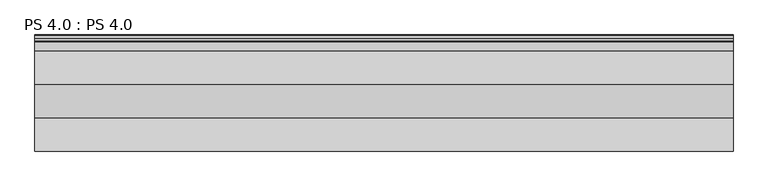
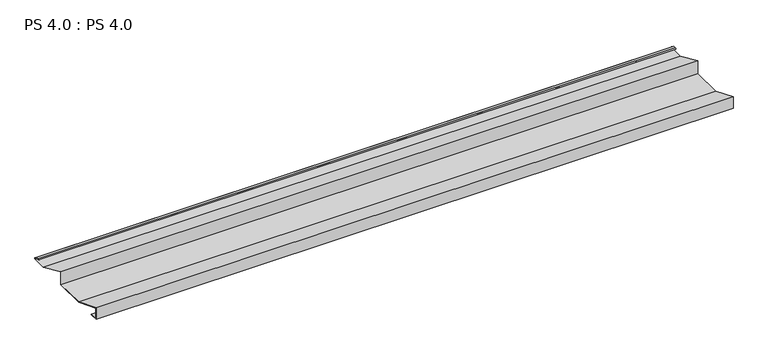
"""IFC4 building model written with IfcOpenShell, lengths in millimetres: proxy geometry, PS 4.0 : PS 4.0."""

from ifc_helpers import new_model, si_unit, point, frame, frame_2d, origin, place, context, project, spatial, polyline, circle_curve, trimmed, segment, composite_curve, outline, extrude, source, transform, mapped, element, save


def ps_4_0_ps_4_0_bd97e03e(model_context):
    return source(origin(), model_context, "Body", "SweptSolid", [
        extrude(outline(composite_curve([segment(polyline([(0.0, 0.0), (0.0, 38.0), (94.0, 0.0), (188.0, 0.0), (188.0, 41.8001275), (282.0, 0.0), (325.0510156, 0.0)]), True, "CONTINUOUS"), segment(trimmed(circle_curve(frame_2d((324.3094696, 1.9153551)), 2.0538928), [point((325.0510156, 0.0))], [point((325.1748462, 3.778041))], True, "CARTESIAN"), True, "CONTINUOUS"), segment(polyline([(325.1748462, 3.778041), (308.7874714, 6.923107)]), True, "CONTINUOUS"), segment(trimmed(circle_curve(frame_2d((309.4078886, 8.6005442)), 1.7884947), [point((308.7874714, 6.923107))], [point((308.9525789, 10.3301125))], False, "CARTESIAN"), True, "CONTINUOUS"), segment(polyline([(308.9525789, 10.3301125), (316.459338, 11.6715995), (316.635255, 10.6871945), (309.1762081, 9.3542338)]), True, "CONTINUOUS"), segment(trimmed(circle_curve(frame_2d((309.4078886, 8.6005442)), 0.7884947), [point((309.1762081, 9.3542338))], [point((309.0735117, 7.8864603))], True, "CARTESIAN"), True, "CONTINUOUS"), segment(polyline([(309.0735117, 7.8864603), (325.4722719, 4.7392091)]), True, "CONTINUOUS"), segment(trimmed(circle_curve(frame_2d((324.3094696, 1.9153551)), 3.0538928), [point((325.4722719, 4.7392091))], [point((325.2188462, -1.0))], False, "CARTESIAN"), True, "CONTINUOUS"), segment(polyline([(325.2188462, -1.0), (281.988528, -1.0), (189.0, 40.3503439), (189.0, -1.0), (93.8874201, -1.0), (1.0, 36.5502337), (1.0, 1.0), (25.0, 1.0), (25.0, 0.0), (0.0, 0.0)]), True, "CONTINUOUS")], self_intersect=False)), frame((0.0, 0.0, 0.0), z_axis=(1.0, 0.0, 0.0), x_axis=(0.0, 1.0, 0.0)), (0.0, 0.0, 1.0), 1968.6),
    ])


if __name__ == "__main__":
    model = new_model("IFC4")
    model_context = context("Model", 3, world=origin())
    ifc_project = project(units=[si_unit("LENGTHUNIT", "METRE", prefix="MILLI")], contexts=[model_context])
    site = spatial("IfcSite", under=ifc_project)
    building = spatial("IfcBuilding", under=site)
    placement = place(None, origin())
    ps_4_0_ps_4_0_shape = ps_4_0_ps_4_0_bd97e03e(model_context)
    element("IfcBuildingElementProxy", 1, Name="PS 4.0 : PS 4.0", ObjectType="PS 4.0 : PS 4.0", at=placement, inside=building, context=model_context, shape_type="MappedRepresentation", body=[
        mapped(ps_4_0_ps_4_0_shape, transform((0.0, 0.0, 0.0), x_axis=(1.0, 0.0, 0.0), y_axis=(0.0, 1.0, 0.0), z_axis=(0.0, 0.0, 1.0))),
    ])
    save(model, "model.ifc")
